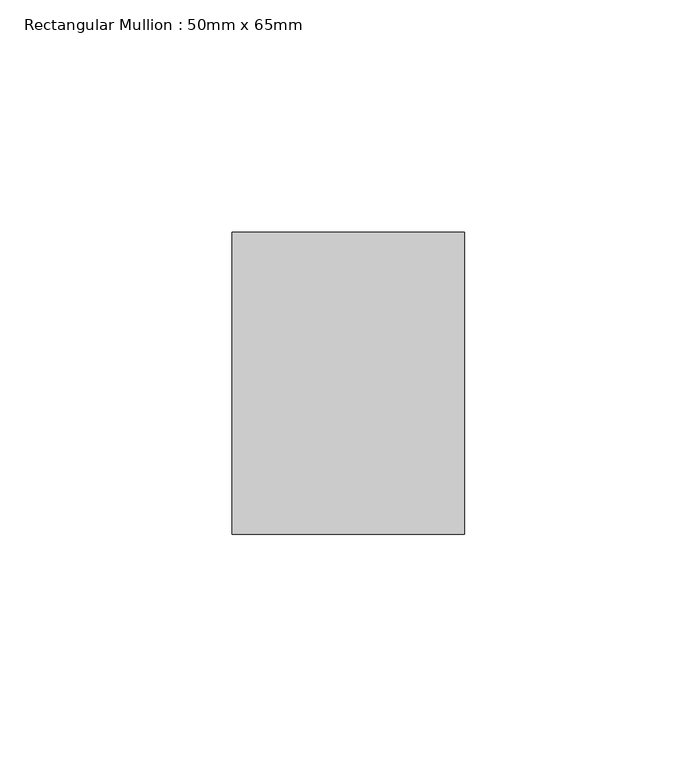
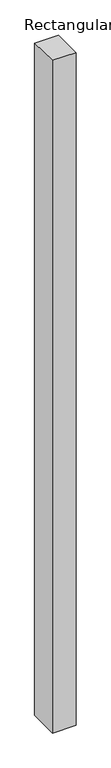
"""IFC4 building model written with IfcOpenShell, lengths in millimetres: member geometry, Rectangular Mullion : 50mm x 65mm."""

from ifc_helpers import new_model, si_unit, frame, origin, place, context, project, spatial, polyline, outline, extrude, source, transform, mapped, element, save


def rectangular_mullion_50mm_x_65mm_70149650(model_context):
    return source(origin(), model_context, "Body", "SweptSolid", [
        extrude(outline(polyline([(-32.5, 0.4966784), (32.5, -0.4966782), (32.5, -1499.5935184), (-32.5, -1500.4081722), (-32.5, 0.4966784)])), frame((-25.0, 0.0, 0.0), z_axis=(1.0, 0.0, 0.0), x_axis=(0.0, 1.0, 0.0)), (0.0, 0.0, 1.0), 50.0),
    ])


if __name__ == "__main__":
    model = new_model("IFC4")
    model_context = context("Model", 3, world=origin())
    ifc_project = project(units=[si_unit("LENGTHUNIT", "METRE", prefix="MILLI")], contexts=[model_context])
    site = spatial("IfcSite", under=ifc_project)
    building = spatial("IfcBuilding", under=site)
    placement = place(None, origin())
    rectangular_mullion_50mm_x_65mm_shape = rectangular_mullion_50mm_x_65mm_70149650(model_context)
    element("IfcMember", 1, ObjectType="Rectangular Mullion : 50mm x 65mm", at=placement, inside=building, context=model_context, shape_type="MappedRepresentation", body=[
        mapped(rectangular_mullion_50mm_x_65mm_shape, transform((0.0, 0.0, 0.0), x_axis=(1.0, 0.0, 0.0), y_axis=(0.0, 1.0, 0.0), z_axis=(0.0, 0.0, 1.0))),
    ])
    save(model, "model.ifc")
